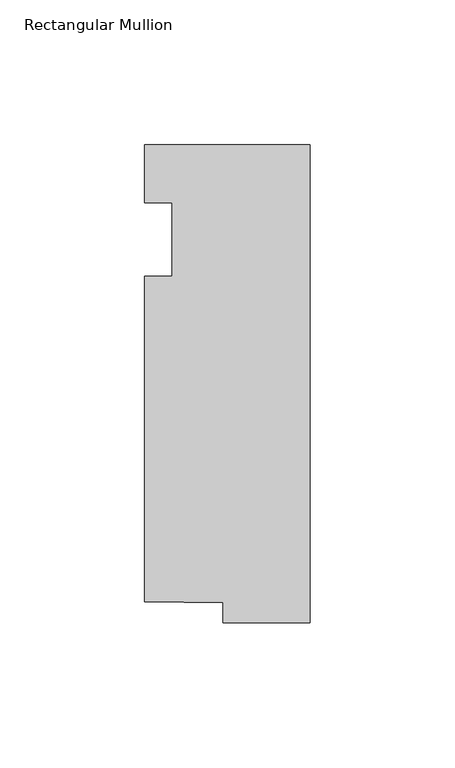
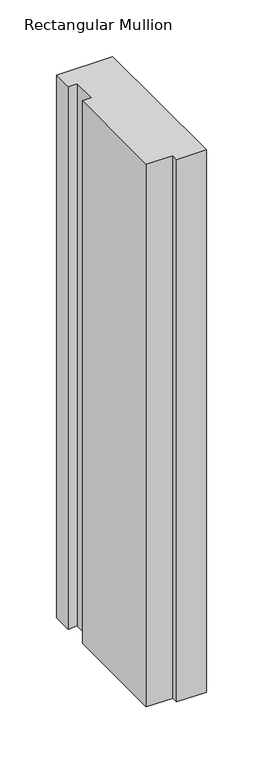
"""IFC4 building model written with IfcOpenShell, lengths in millimetres: member geometry, Rectangular Mullion."""

import ifcopenshell
import ifcopenshell.guid

model = None  # the IFC model being written
_history = None  # IfcOwnerHistory: only IFC2X3 demands one
_inside = {}  # id of a spatial element -> (the spatial element, [elements in it])
_under = {}  # id of a project, library or spatial element -> (it, [spatial elements below it])
_declared = {}  # id of a project -> (the project, [libraries it declares])
_typed = {}  # id of a type object -> (the type object, [elements of that type])
_made_of = {}  # id of a material, layer set ... -> (it, [elements and type objects made of it])


def new_model(schema):
    """Start an empty IFC model of exactly this schema.

    Asked for "IFC4X3", IfcOpenShell would pick the latest addendum, in which some entities
    have other attributes; the version numbers below select the first issue.
    IFC2X3 requires an IfcOwnerHistory on every rooted entity: one is made here for all.
    """
    global model, _history
    if schema == "IFC4X3":
        model = ifcopenshell.file(schema_version=(4, 3, 0, 0))
    else:
        model = ifcopenshell.file(schema=schema)
    _inside.clear()
    _under.clear()
    _declared.clear()
    _typed.clear()
    _made_of.clear()
    _history = None
    if model.schema == "IFC2X3":
        org = make("IfcOrganization", Name="unknown")
        user = make(
            "IfcPersonAndOrganization",
            ThePerson=make("IfcPerson", FamilyName="unknown"),
            TheOrganization=org,
        )
        app = make(
            "IfcApplication",
            ApplicationDeveloper=org,
            Version="unknown",
            ApplicationFullName="unknown",
            ApplicationIdentifier="unknown",
        )
        _history = make(
            "IfcOwnerHistory",
            OwningUser=user,
            OwningApplication=app,
            ChangeAction="ADDED",
            CreationDate=0,
        )
    return model


def make(cls, **values):
    """One entity of the class cls with the attributes given. An attribute that is None is left unset."""
    return model.create_entity(
        cls, **{name: value for name, value in values.items() if value is not None}
    )


def rooted(cls, **values):
    """An entity with a GlobalId (a new one), such as an element, a storey or a relation."""
    return make(cls, GlobalId=ifcopenshell.guid.new(), OwnerHistory=_history, **values)


def si_unit(unit_type, name, prefix=None):
    """IfcSIUnit, for example si_unit("LENGTHUNIT", "METRE", prefix="MILLI")."""
    return make("IfcSIUnit", UnitType=unit_type, Prefix=prefix, Name=name)


def assignment(units):
    """IfcUnitAssignment: the units of a project."""
    return None if units is None else make("IfcUnitAssignment", Units=units)


def point(xyz):
    """IfcCartesianPoint."""
    return None if xyz is None else make("IfcCartesianPoint", Coordinates=xyz)


def direction(xyz):
    """IfcDirection."""
    return None if xyz is None else make("IfcDirection", DirectionRatios=xyz)


def frame(location, z_axis=None, x_axis=None):
    """IfcAxis2Placement3D, a coordinate frame: its origin and axes. An axis left out is left unset."""
    return make(
        "IfcAxis2Placement3D",
        Location=point(location),
        Axis=direction(z_axis),
        RefDirection=direction(x_axis),
    )


def origin():
    """The frame at (0, 0, 0) with its axes left unset."""
    return frame((0.0, 0.0, 0.0))


def place(relative_to, where):
    """IfcLocalPlacement: puts the frame where relative to a parent placement (None: the world)."""
    return make(
        "IfcLocalPlacement", PlacementRelTo=relative_to, RelativePlacement=where
    )


def context(
    kind, dimensions, precision=None, world=None, true_north=None, identifier=None
):
    """IfcGeometricRepresentationContext, for example the 3D "Model" context."""
    return make(
        "IfcGeometricRepresentationContext",
        ContextIdentifier=identifier,
        ContextType=kind,
        CoordinateSpaceDimension=dimensions,
        Precision=precision,
        WorldCoordinateSystem=world,
        TrueNorth=true_north,
    )


def project(units=None, contexts=None):
    """IfcProject with its units and contexts."""
    return rooted(
        "IfcProject",
        Name="project",
        RepresentationContexts=contexts,
        UnitsInContext=assignment(units),
    )


def spatial(cls, under=None, at=None, **own):
    """A site, building, storey or space (cls), placed at a placement, below another one or the project."""
    s = rooted(cls, ObjectPlacement=at, **own)
    if under is not None:
        _under.setdefault(under.id(), (under, []))[1].append(s)
    return s


def polyline(points):
    """IfcPolyline through the points."""
    return make("IfcPolyline", Points=[point(p) for p in points])


def outline(outer, holes=None, kind="AREA"):
    """IfcArbitraryClosedProfileDef: a profile drawn as a closed curve; with holes, ...WithVoids."""
    if holes is None:
        return make("IfcArbitraryClosedProfileDef", ProfileType=kind, OuterCurve=outer)
    return make(
        "IfcArbitraryProfileDefWithVoids",
        ProfileType=kind,
        OuterCurve=outer,
        InnerCurves=holes,
    )


def extrude(swept, where, along, depth):
    """IfcExtrudedAreaSolid: the profile swept, set in the frame where, extruded along a direction by depth."""
    return make(
        "IfcExtrudedAreaSolid",
        SweptArea=swept,
        Position=where,
        ExtrudedDirection=direction(along),
        Depth=depth,
    )


def shape(context_of_items, identifier, shape_type, items):
    """IfcShapeRepresentation: the items that make up one representation, for example the "Body"."""
    return make(
        "IfcShapeRepresentation",
        ContextOfItems=context_of_items,
        RepresentationIdentifier=identifier,
        RepresentationType=shape_type,
        Items=items,
    )


def source(mapping_origin, context_of_items, identifier, shape_type, items):
    """IfcRepresentationMap: a shape defined once, which mapped items show again and again."""
    return make(
        "IfcRepresentationMap",
        MappingOrigin=mapping_origin,
        MappedRepresentation=shape(context_of_items, identifier, shape_type, items),
    )


def transform(
    local_origin,
    x_axis=None,
    y_axis=None,
    z_axis=None,
    scale=None,
    scale2=None,
    scale3=None,
    uniform=True,
):
    """IfcCartesianTransformationOperator3D, or its non-uniform kind. x_axis, y_axis, z_axis: its Axis1, 2, 3."""
    if uniform:
        return make(
            "IfcCartesianTransformationOperator3D",
            Axis1=direction(x_axis),
            Axis2=direction(y_axis),
            LocalOrigin=point(local_origin),
            Scale=scale,
            Axis3=direction(z_axis),
        )
    return make(
        "IfcCartesianTransformationOperator3DnonUniform",
        Axis1=direction(x_axis),
        Axis2=direction(y_axis),
        LocalOrigin=point(local_origin),
        Scale=scale,
        Axis3=direction(z_axis),
        Scale2=scale2,
        Scale3=scale3,
    )


def mapped(mapping_source, mapping_target):
    """IfcMappedItem: shows the shape of a source again, moved by a transform."""
    return make(
        "IfcMappedItem", MappingSource=mapping_source, MappingTarget=mapping_target
    )


def made_of(thing, what):
    """Note that an element or type object is made of a material, layer set ...; save() writes the relation."""
    if what is not None:
        _made_of.setdefault(what.id(), (what, []))[1].append(thing)
    return thing


def element(
    cls,
    number,
    at=None,
    inside=None,
    cuts=None,
    type_object=None,
    material=None,
    context=None,
    identifier="Body",
    shape_type=None,
    held_by="IfcProductDefinitionShape",
    body=None,
    shapes=None,
    **own,
):
    """One element of the class cls, such as IfcWall. Its Tag is "e" and its number.

    at: its placement. inside: the storey or other place that contains it. cuts: it is an
    opening in that element (IfcRelVoidsElement). A single representation is given by context,
    identifier, shape_type and body (its items); several are given by shapes. held_by: the class
    of the entity that holds the representations. save() writes the other relations.
    """
    e = rooted(cls, Tag="e%d" % number, ObjectPlacement=at, **own)
    if body is not None:
        shapes = [shape(context, identifier, shape_type, body)]
    if shapes is not None:
        e.Representation = make(held_by, Representations=shapes)
    if inside is not None:
        _inside.setdefault(inside.id(), (inside, []))[1].append(e)
    if cuts is not None:
        rooted(
            "IfcRelVoidsElement", RelatingBuildingElement=cuts, RelatedOpeningElement=e
        )
    if type_object is not None:
        _typed.setdefault(type_object.id(), (type_object, []))[1].append(e)
    return made_of(e, material)


def aggregate(whole, parts):
    """IfcRelAggregates: a whole, such as a stair, and the parts it consists of."""
    return rooted("IfcRelAggregates", RelatingObject=whole, RelatedObjects=parts)


def save(model, path):
    """Write the relations noted so far, then the file.

    IfcRelAggregates (storeys below a building ...), IfcRelContainedInSpatialStructure (elements
    in a storey), IfcRelDefinesByType, IfcRelAssociatesMaterial and IfcRelDeclares: one each for
    every whole, place, type object, material and project.
    """
    for whole, parts in _under.values():
        aggregate(whole, parts)
    for where, things in _inside.values():
        rooted(
            "IfcRelContainedInSpatialStructure",
            RelatedElements=things,
            RelatingStructure=where,
        )
    for kind, things in _typed.values():
        rooted("IfcRelDefinesByType", RelatedObjects=things, RelatingType=kind)
    for what, things in _made_of.values():
        rooted("IfcRelAssociatesMaterial", RelatedObjects=things, RelatingMaterial=what)
    for by, libraries in _declared.values():
        rooted("IfcRelDeclares", RelatingContext=by, RelatedDefinitions=libraries)
    model.write(path)


def rectangular_mullion_69c2fe9b(model_context):
    return source(origin(), model_context, "Body", "SweptSolid", [
        extrude(outline(polyline([(-57.15, 20.0421875), (0.0, 20.0421875), (0.0, -145.0578125), (-30.0959106, -145.0578125), (-30.0959106, -138.1373866), (-57.15, -137.7430215), (-57.15, -25.4), (-47.625, -25.4), (-47.625, 0.0), (-57.15, 0.0), (-57.15, 20.0421875)])), frame((0.0, 0.0, -584.2), z_axis=(0.0, 0.0, 1.0), x_axis=(1.0, 0.0, 0.0)), (0.0, 0.0, 1.0), 584.2),
    ])


if __name__ == "__main__":
    model = new_model("IFC4")
    model_context = context("Model", 3, world=origin())
    ifc_project = project(units=[si_unit("LENGTHUNIT", "METRE", prefix="MILLI")], contexts=[model_context])
    site = spatial("IfcSite", under=ifc_project)
    building = spatial("IfcBuilding", under=site)
    placement = place(None, origin())
    rectangular_mullion_shape = rectangular_mullion_69c2fe9b(model_context)
    element("IfcMember", 1, ObjectType="Rectangular Mullion", at=placement, inside=building, context=model_context, shape_type="MappedRepresentation", body=[
        mapped(rectangular_mullion_shape, transform((0.0, 0.0, 0.0), x_axis=(1.0, 0.0, 0.0), y_axis=(0.0, 1.0, 0.0), z_axis=(0.0, 0.0, 1.0))),
    ])
    save(model, "model.ifc")
